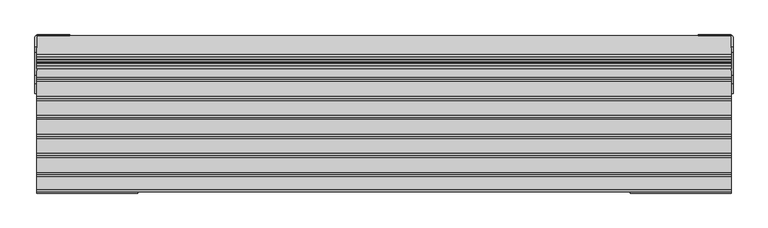
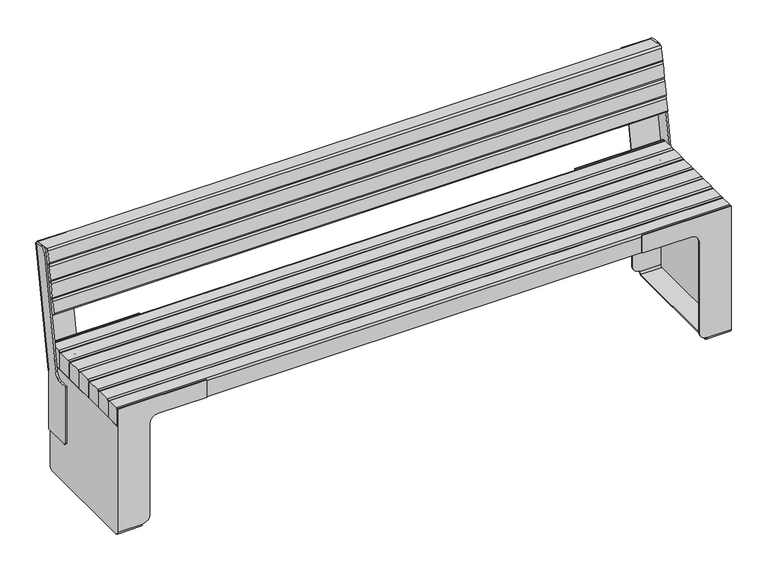
"""IFC4 building model written with IfcOpenShell, lengths in millimetres: furniture geometry."""

from ifc_helpers import new_model, si_unit, point, frame, frame_2d, origin, place, context, project, spatial, polyline, circle_curve, trimmed, segment, composite_curve, outline, extrude, source, transform, mapped, element, save
from ifc_brep_helpers import plane_surface, cylinder_surface, revolved_surface, advanced_brep


def furniture_69ef98cd(model_context):
    return source(origin(), model_context, "Body", "SolidModel", [
        advanced_brep(
        [(-1000.0000075, 101.4999907, 140.0000029), (-1000.0000075, 96.4999907, 145.0000029), (-1006.0002228, 96.4999907, 145.0000029), (-1006.0002228, 101.4999907, 140.0000029), (-1000.0000075, 188.5000074, 140.0000029), (-1006.0002228, 188.5000074, 140.0000029), (-1000.0000075, 188.5000074, 340.6999889), (-1006.0002228, 188.5000074, 340.6999889), (-1000.0000075, 96.4999907, 339.4750637), (-1006.0002228, 96.4999907, 339.4750637), (-1000.0000075, 124.6585977, 339.4750637), (-1006.0002228, 124.6585977, 339.4750637), (-1000.0000075, 149.2770573, 360.1240357), (-1006.0002228, 149.2770573, 360.1240357), (-1000.0000075, 263.560543, 737.5956028), (-906.000222, 263.560543, 737.5956028), (-906.000222, 266.5149655, 737.0746583), (-998.0002228, 266.5149655, 737.0746583), (-1006.0002228, 258.6365035, 738.4638441), (-1006.0002228, 232.1946644, 743.1262551), (-1000.0000075, 232.1946644, 743.1262551), (-998.0002228, 196.3784284, 339.3107044), (-906.000222, 196.3784284, 339.3107044), (-906.000222, 193.4240059, 339.8316489), (-1000.0000075, 193.4240059, 339.8316489), (-1000.0000075, 214.8188652, 730.9647557), (-1006.0002228, 214.8188652, 730.9647557)],
        [
            (0, 1, circle_curve(frame((-1000.0000075, 101.4999907, 145.0000029), z_axis=(-1.0, 0.0, 0.0), x_axis=(0.0, -1.0, 0.0)), 5.0)),
            (1, 2),
            (2, 3, circle_curve(frame((-1006.0002228, 101.4999907, 145.0000029), z_axis=(1.0, 0.0, 0.0), x_axis=(0.0, -1.0, 0.0)), 5.0)),
            (3, 0),
            (4, 0),
            (3, 5),
            (5, 4),
            (6, 4),
            (5, 7),
            (7, 6),
            (1, 8),
            (8, 9),
            (9, 2),
            (10, 11),
            (11, 9),
            (8, 10),
            (12, 13),
            (13, 11, circle_curve(frame((-1006.0002228, 124.6585977, 364.4750637), z_axis=(-1.0, 0.0, 0.0), x_axis=(0.0, -1.0, 0.0)), 25.0)),
            (10, 12, circle_curve(frame((-1000.0000075, 124.6585977, 364.4750637), z_axis=(1.0, 0.0, 0.0), x_axis=(0.0, -1.0, 0.0)), 25.0)),
            (14, 15),
            (15, 16),
            (16, 17),
            (17, 18, circle_curve(frame((-998.0002228, 258.6365035, 738.4638441), z_axis=(0.0, 0.1736482258268386, 0.9848077445203157), x_axis=(0.0, -0.9848077445203157, 0.1736482258268386)), 8.0)),
            (18, 19),
            (19, 20),
            (20, 14),
            (7, 21, circle_curve(frame((-998.0002228, 188.4999664, 340.6998902), z_axis=(0.0, -0.1736482258268386, -0.9848077445203157), x_axis=(0.0, -0.9848077445203157, 0.1736482258268386)), 8.0)),
            (21, 22),
            (22, 23),
            (23, 24),
            (24, 6),
            (24, 14),
            (20, 25, circle_curve(frame((-1000.0000075, 229.589941, 728.3541389), z_axis=(1.0, 0.0, 0.0), x_axis=(0.0, -1.0, 0.0)), 15.0)),
            (25, 12),
            (23, 15),
            (22, 16),
            (21, 17),
            (7, 18),
            (13, 26),
            (26, 19, circle_curve(frame((-1006.0002228, 229.589941, 728.3541389), z_axis=(-1.0, 0.0, 0.0), x_axis=(0.0, -1.0, 0.0)), 15.0)),
            (25, 26),
        ],
        [
            cylinder_surface(frame((-1006.0002228, 101.4999907, 145.0000029), z_axis=(1.0, 0.0, 0.0), x_axis=(0.0, -1.0, 0.0)), 5.0),
            plane_surface(frame((-1000.0000075, 101.4999907, 140.0000029), z_axis=(0.0, 0.0, -1.0), x_axis=(-1.0, 0.0, 0.0))),
            plane_surface(frame((-1000.0000075, 188.5000074, 140.0000029), z_axis=(0.0, 1.0, 0.0), x_axis=(-1.0, 0.0, 0.0))),
            plane_surface(frame((-1000.0000075, 96.4999907, 407.4449881), z_axis=(0.0, -1.0, 0.0), x_axis=(-1.0, 0.0, 0.0))),
            plane_surface(frame((-971.8980186, 84.6585977, 339.4750637), z_axis=(0.0, 0.0, 1.0), x_axis=(-1.0, 0.0, 0.0))),
            revolved_surface(polyline([(-1000.0000075, 99.6585977, 364.4750637), (-1006.0002228, 99.6585977, 364.4750637)]), (-1053.6124158, 124.6585977, 364.4750637), (1.0, 0.0, 0.0)),
            plane_surface(frame((-1000.0000075, 263.560543, 737.5956028), z_axis=(0.0, 0.1736482258268386, 0.9848077445203157), x_axis=(0.0, 0.9848077445203157, -0.1736482258268386))),
            plane_surface(frame((-1000.0000075, 193.4240059, 339.8316489), z_axis=(0.0, -0.1736482258268386, -0.9848077445203157), x_axis=(0.0, -0.9848077445203157, 0.1736482258268386))),
            plane_surface(frame((-1000.0000075, 170.4751739, 754.0090696), z_axis=(1.0000000000000002, 0.0, 0.0), x_axis=(0.0, -0.17364822582683856, -0.9848077445203157))),
            plane_surface(frame((-1000.0000075, 263.560543, 737.5956028), z_axis=(0.0, -0.9848077445203157, 0.1736482258268386), x_axis=(0.0, -0.1736482258268386, -0.9848077445203157))),
            plane_surface(frame((-906.000222, 263.560543, 737.5956028), z_axis=(1.0000000000000002, 0.0, 0.0), x_axis=(0.0, -0.1736482258268386, -0.9848077445203157))),
            plane_surface(frame((-906.000222, 266.5149655, 737.0746583), z_axis=(0.0, 0.9848077445203157, -0.17364822582683853), x_axis=(0.0, -0.17364822582683853, -0.9848077445203157))),
            cylinder_surface(frame((-998.0002228, 188.4999664, 340.6998902), z_axis=(0.0, 0.1736482258268386, 0.9848077445203157), x_axis=(0.0, -0.9848077445203157, 0.1736482258268386)), 8.0),
            plane_surface(frame((-1006.0002228, 258.6365035, 738.4638441), z_axis=(-1.0000000000000002, 0.0, 0.0), x_axis=(0.0, -0.1736482258268386, -0.9848077445203157))),
            plane_surface(frame((-954.3666656, 213.8993, 725.7617833), z_axis=(0.0, -0.9847383859030567, 0.17404111965004837), x_axis=(-1.0, 0.0, 0.0))),
            cylinder_surface(frame((-1047.2448882, 229.589941, 728.3541389), z_axis=(-1.0, 0.0, 0.0), x_axis=(0.0, -1.0, 0.0)), 15.0),
        ],
        [
            (0, [[1, 2, 3, 4]]),
            (1, [[5, -4, 6, 7]]),
            (2, [[8, -7, 9, 10]]),
            (3, [[-2, 11, 12, 13]]),
            (4, [[14, 15, -12, 16]]),
            (5, [[17, 18, -14, 19]]),
            (6, [[20, 21, 22, 23, 24, 25, 26]]),
            (7, [[27, 28, 29, 30, 31, -10]]),
            (8, [[32, -26, 33, 34, -19, -16, -11, -1, -5, -8, -31]]),
            (9, [[-20, -32, -30, 35]]),
            (10, [[-21, -35, -29, 36]]),
            (11, [[-22, -36, -28, 37]]),
            (12, [[-23, -37, -27, 38]]),
            (13, [[-38, -9, -6, -3, -13, -15, -18, 39, 40, -24]]),
            (14, [[41, -39, -17, -34]]),
            (15, [[-41, -33, -25, -40]]),
        ],
    ),
        advanced_brep(
        [(1000.0000075, 96.4999907, 145.0000029), (1000.0000075, 101.4999907, 140.0000029), (1006.0002228, 101.4999907, 140.0000029), (1006.0002228, 96.4999907, 145.0000029), (1000.0000075, 188.5000074, 140.0000029), (1006.0002228, 188.5000074, 140.0000029), (1000.0000075, 188.5000074, 340.6999889), (1006.0002228, 188.5000074, 340.699883), (1006.0002228, 96.4999907, 339.4750637), (1000.0000075, 96.4999907, 339.4750637), (1006.0002228, 124.6585977, 339.4750637), (1000.0000075, 124.6585977, 339.4750637), (1006.0002228, 149.2770573, 360.1240357), (1000.0000075, 149.2770573, 360.1240357), (1006.0002228, 258.6365035, 738.4638441), (998.0002228, 266.5149655, 737.0746583), (906.000222, 266.5149655, 737.0746583), (906.000222, 263.560543, 737.5956028), (1000.0000075, 263.560543, 737.5956028), (1000.0000075, 232.1946644, 743.1262551), (1006.0002228, 232.1946644, 743.1262551), (1000.0000075, 193.4240059, 339.8316489), (906.000222, 193.4240059, 339.8316489), (906.000222, 196.3784284, 339.3107044), (998.0002228, 196.3784284, 339.3107044), (1000.0000075, 214.8188652, 730.9647557), (1006.0002228, 214.8188652, 730.9647557)],
        [
            (0, 1, circle_curve(frame((1000.0000075, 101.4999907, 145.0000029), z_axis=(1.0, 0.0, 0.0), x_axis=(0.0, -1.0, 0.0)), 5.0)),
            (1, 2),
            (2, 3, circle_curve(frame((1006.0002228, 101.4999907, 145.0000029), z_axis=(-1.0, 0.0, 0.0), x_axis=(0.0, -1.0, 0.0)), 5.0)),
            (3, 0),
            (1, 4),
            (4, 5),
            (5, 2),
            (4, 6),
            (6, 7),
            (7, 5),
            (3, 8),
            (8, 9),
            (9, 0),
            (10, 11),
            (11, 9),
            (8, 10),
            (10, 12, circle_curve(frame((1006.0002228, 124.6585977, 364.4750637), z_axis=(1.0, 0.0, 0.0), x_axis=(0.0, -1.0, 0.0)), 25.0)),
            (12, 13),
            (13, 11, circle_curve(frame((1000.0000075, 124.6585977, 364.4750637), z_axis=(-1.0, 0.0, 0.0), x_axis=(0.0, -1.0, 0.0)), 25.0)),
            (14, 15, circle_curve(frame((998.0002228, 258.6365035, 738.4638441), z_axis=(0.0, 0.1736482258268386, 0.9848077445203157), x_axis=(0.0, -0.9848077445203157, 0.1736482258268386)), 8.0)),
            (15, 16),
            (16, 17),
            (17, 18),
            (18, 19),
            (19, 20),
            (20, 14),
            (21, 22),
            (22, 23),
            (23, 24),
            (24, 7, circle_curve(frame((998.0002228, 188.4999664, 340.6998902), z_axis=(0.0, -0.1736482258268386, -0.9848077445203157), x_axis=(0.0, -0.9848077445203157, 0.1736482258268386)), 8.0)),
            (6, 21),
            (18, 21),
            (13, 25),
            (25, 19, circle_curve(frame((1000.0000075, 229.589941, 728.3541389), z_axis=(-1.0, 0.0, 0.0), x_axis=(0.0, -1.0, 0.0)), 15.0)),
            (17, 22),
            (16, 23),
            (15, 24),
            (14, 7),
            (20, 26, circle_curve(frame((1006.0002228, 229.589941, 728.3541389), z_axis=(1.0, 0.0, 0.0), x_axis=(0.0, -1.0, 0.0)), 15.0)),
            (26, 12),
            (26, 25),
        ],
        [
            cylinder_surface(frame((1006.0002228, 101.4999907, 145.0000029), z_axis=(-1.0, 0.0, 0.0), x_axis=(0.0, -1.0, 0.0)), 5.0),
            plane_surface(frame((1000.0000075, 188.5000074, 140.0000029), z_axis=(0.0, 0.0, -1.0), x_axis=(1.0, 0.0, 0.0))),
            plane_surface(frame((1000.0000075, 188.5000074, 340.6999889), z_axis=(0.0, 1.0, 0.0), x_axis=(1.0, 0.0, 0.0))),
            plane_surface(frame((1000.0000075, 96.4999907, 145.0000029), z_axis=(0.0, -1.0, 0.0), x_axis=(1.0, 0.0, 0.0))),
            plane_surface(frame((971.8980186, 124.6585977, 339.4750637), z_axis=(0.0, 0.0, 1.0), x_axis=(1.0, 0.0, 0.0))),
            revolved_surface(polyline([(1000.0000075, 99.6585977, 364.4750637), (1006.0002228, 99.6585977, 364.4750637)]), (1053.6124158, 124.6585977, 364.4750637), (-1.0, 0.0, 0.0)),
            plane_surface(frame((1006.0002228, 170.4751739, 754.0090696), z_axis=(0.0, 0.1736482258268386, 0.9848077445203157), x_axis=(1.0, 0.0, 0.0))),
            plane_surface(frame((1006.0002228, 100.3386368, 356.2451157), z_axis=(0.0, -0.1736482258268386, -0.9848077445203157), x_axis=(-1.0, 0.0, 0.0))),
            plane_surface(frame((1000.0000075, 263.560543, 737.5956028), z_axis=(-1.0000000000000002, 0.0, 0.0), x_axis=(0.0, -0.1736482258268386, -0.9848077445203157))),
            plane_surface(frame((906.000222, 263.560543, 737.5956028), z_axis=(0.0, -0.9848077445203157, 0.1736482258268386), x_axis=(0.0, -0.1736482258268386, -0.9848077445203157))),
            plane_surface(frame((906.000222, 266.5149655, 737.0746583), z_axis=(-1.0000000000000002, 0.0, 0.0), x_axis=(0.0, -0.17364822582683856, -0.9848077445203157))),
            plane_surface(frame((998.0002228, 266.5149655, 737.0746583), z_axis=(0.0, 0.9848077445203157, -0.17364822582683856), x_axis=(0.0, -0.17364822582683856, -0.9848077445203157))),
            cylinder_surface(frame((998.0002228, 188.4999664, 340.6998902), z_axis=(0.0, 0.1736482258268386, 0.9848077445203157), x_axis=(0.0, -0.9848077445203157, 0.1736482258268386)), 8.0),
            plane_surface(frame((1006.0002228, 170.4751739, 754.0090696), z_axis=(1.0000000000000002, 0.0, 0.0), x_axis=(0.0, -0.17364822582683856, -0.9848077445203157))),
            plane_surface(frame((954.3666656, 214.8188652, 730.9647557), z_axis=(0.0, -0.9847383859030567, 0.17404111965004837), x_axis=(1.0, 0.0, 0.0))),
            cylinder_surface(frame((1032.9051927, 229.589941, 728.3541389), z_axis=(1.0, 0.0, 0.0), x_axis=(0.0, -1.0, 0.0)), 15.0),
        ],
        [
            (0, [[1, 2, 3, 4]]),
            (1, [[5, 6, 7, -2]]),
            (2, [[8, 9, 10, -6]]),
            (3, [[-4, 11, 12, 13]]),
            (4, [[14, 15, -12, 16]]),
            (5, [[-14, 17, 18, 19]]),
            (6, [[20, 21, 22, 23, 24, 25, 26]]),
            (7, [[27, 28, 29, 30, -9, 31]]),
            (8, [[32, -31, -8, -5, -1, -13, -15, -19, 33, 34, -24]]),
            (9, [[-23, 35, -27, -32]]),
            (10, [[-22, 36, -28, -35]]),
            (11, [[-21, 37, -29, -36]]),
            (12, [[-20, 38, -30, -37]]),
            (13, [[-38, -26, 39, 40, -17, -16, -11, -3, -7, -10]]),
            (14, [[41, -33, -18, -40]]),
            (15, [[-41, -39, -25, -34]]),
        ],
    ),
        extrude(outline(composite_curve([segment(polyline([(235.7768278, 580.026369), (182.5972245, 589.4033706)]), True, "CONTINUOUS"), segment(trimmed(circle_curve(frame_2d((183.6391139, 595.312217)), 6.0), [point((182.5972245, 589.4033706))], [point((177.7302672, 596.354105))], False, "CARTESIAN"), True, "CONTINUOUS"), segment(polyline([(177.7302672, 596.354105), (185.197131, 638.7008403)]), True, "CONTINUOUS"), segment(trimmed(circle_curve(frame_2d((191.1059777, 637.6589523)), 6.0), [point((185.197131, 638.7008403))], [point((192.1478671, 643.5677988))], False, "CARTESIAN"), True, "CONTINUOUS"), segment(polyline([(192.1478671, 643.5677988), (245.3274803, 634.1907954), (235.7768278, 580.026369)]), True, "CONTINUOUS")], self_intersect=False)), frame((-1000.0000075, 0.0, 0.0), z_axis=(1.0, 0.0, 0.0), x_axis=(0.0, 1.0, 0.0)), (0.0, 0.0, 1.0), 2000.0000153),
        extrude(outline(composite_curve([segment(polyline([(254.8781328, 688.3552219), (201.6985295, 697.7322234)]), True, "CONTINUOUS"), segment(trimmed(circle_curve(frame_2d((202.7404189, 703.6410699)), 6.0), [point((201.6985295, 697.7322234))], [point((196.8315722, 704.6829579))], False, "CARTESIAN"), True, "CONTINUOUS"), segment(polyline([(196.8315722, 704.6829579), (203.4301949, 742.1056474)]), True, "CONTINUOUS"), segment(trimmed(circle_curve(frame_2d((209.3390416, 741.0637595)), 6.0), [point((203.4301949, 742.1056474))], [point((210.3809309, 746.9726059))], False, "CARTESIAN"), True, "CONTINUOUS"), segment(polyline([(210.3809309, 746.9726059), (263.560543, 737.5956028), (254.8781328, 688.3552219)]), True, "CONTINUOUS")], self_intersect=False)), frame((-1000.0000075, 0.0, 0.0), z_axis=(1.0, 0.0, 0.0), x_axis=(0.0, 1.0, 0.0)), (0.0, 0.0, 1.0), 2000.0000153),
        extrude(outline(composite_curve([segment(polyline([(227.0944176, 530.785988), (173.9148132, 540.1629898)]), True, "CONTINUOUS"), segment(trimmed(circle_curve(frame_2d((174.9567025, 546.0718363)), 6.0), [point((173.9148132, 540.1629898))], [point((169.0478558, 547.1137242))], False, "CARTESIAN"), True, "CONTINUOUS"), segment(polyline([(169.0478558, 547.1137242), (175.6464785, 584.5364138)]), True, "CONTINUOUS"), segment(trimmed(circle_curve(frame_2d((181.5553252, 583.4945259)), 6.0), [point((175.6464785, 584.5364138))], [point((182.5972146, 589.4033723))], False, "CARTESIAN"), True, "CONTINUOUS"), segment(polyline([(182.5972146, 589.4033723), (235.7768278, 580.026369), (227.0944176, 530.785988)]), True, "CONTINUOUS")], self_intersect=False)), frame((-1000.0000075, 0.0, 0.0), z_axis=(1.0, 0.0, 0.0), x_axis=(0.0, 1.0, 0.0)), (0.0, 0.0, 1.0), 2000.0000153),
        extrude(outline(composite_curve([segment(polyline([(245.3274803, 634.1907954), (192.1478308, 643.5678051)]), True, "CONTINUOUS"), segment(trimmed(circle_curve(frame_2d((193.1897202, 649.4766516)), 6.0), [point((192.1478308, 643.5678051))], [point((187.2808747, 650.5185467))], False, "CARTESIAN"), True, "CONTINUOUS"), segment(polyline([(187.2808747, 650.5185467), (194.7477895, 692.8652729)]), True, "CONTINUOUS"), segment(trimmed(circle_curve(frame_2d((200.656635, 691.8233779)), 6.0), [point((194.7477895, 692.8652729))], [point((201.6985243, 697.7322243))], False, "CARTESIAN"), True, "CONTINUOUS"), segment(polyline([(201.6985243, 697.7322243), (254.8781328, 688.3552219), (245.3274803, 634.1907954)]), True, "CONTINUOUS")], self_intersect=False)), frame((-1000.0000075, 0.0, 0.0), z_axis=(1.0, 0.0, 0.0), x_axis=(0.0, 1.0, 0.0)), (0.0, 0.0, 1.0), 2000.0000153),
        advanced_brep(
        [(920.0000032, 190.4999943, 10.0), (920.0000032, 180.4999943, 0.0), (920.0000032, -180.5000057, 0.0), (920.0000032, -190.5000057, 10.0), (920.0000032, -190.5000057, 11.2), (920.0000032, -187.5000057, 11.2), (920.0000032, -187.5000057, 9.6519473), (920.0000032, -180.5000057, 2.6519473), (920.0000032, 180.4999958, 2.6519473), (920.0000032, 187.4999958, 9.6519473), (920.0000032, 187.4999958, 11.2), (920.0000032, 190.4999943, 11.2), (920.0000032, 180.4999958, 372.0000043), (920.0000032, -180.5000057, 372.0000043), (920.0000032, -187.5000057, 365.0000043), (920.0000032, -187.4999958, 375.0000029), (920.0000032, 187.4999958, 375.0000029), (920.0000032, 187.4999958, 365.0000043), (1000.0000075, 190.5000057, 435.0000106), (1000.0000075, 187.4999958, 435.0000106), (1000.0000075, 187.4999958, 375.0000029), (1000.0000075, -187.4999958, 375.0000029), (1000.0000075, -187.4999958, 435.0000106), (1000.0000075, -190.5000057, 435.0000106), (1000.0000075, -190.5000057, 10.0), (1000.0000075, -180.5000057, 0.0), (1000.0000075, 180.4999943, 0.0), (1000.0000075, 190.4999943, 10.0), (895.000003, 190.4999943, 36.2000001), (895.000003, 190.4999943, 350.0000029), (870.000003, 190.4999943, 375.0000029), (710.0000125, 190.4999943, 375.0000029), (710.0000125, 190.4999943, 435.0000106), (710.0000125, -190.5000057, 435.0000106), (710.0000125, -190.5000057, 375.0000029), (870.000003, -190.5000057, 375.0000029), (895.000003, -190.5000057, 350.0000029), (895.000003, -190.5000057, 36.2000001), (895.000003, -187.4999958, 36.2000001), (895.000003, -187.4999958, 350.0000029), (870.000003, -187.4999958, 375.0000029), (710.0000125, -187.4999958, 375.0000029), (710.0000125, -187.4999958, 435.0000106), (895.000003, 187.4999958, 36.2000001), (895.000003, 187.4999958, 350.0000029), (870.000003, 187.4999958, 375.0000029), (710.0000125, 187.4999958, 375.0000029), (710.0000125, 187.4999958, 435.0000106), (989.0000078, 187.4999958, 365.0000043), (989.0000078, 187.4999958, 9.6519473), (989.0000078, 180.4999958, 2.6519473), (989.0000078, -180.5000057, 2.6519473), (989.0000078, -187.5000057, 9.6519473), (989.0000078, -187.5000057, 365.0000043), (989.0000078, -180.5000057, 372.0000043), (989.0000078, 180.4999958, 372.0000043)],
        [
            (0, 1, circle_curve(frame((920.0000032, 180.4999943, 10.0), z_axis=(-1.0, 0.0, 0.0), x_axis=(0.0, -1.0, 0.0)), 10.0)),
            (1, 2),
            (2, 3, circle_curve(frame((920.0000032, -180.5000057, 10.0), z_axis=(-1.0, 0.0, 0.0), x_axis=(0.0, -1.0, 0.0)), 10.0)),
            (3, 4),
            (4, 5),
            (5, 6),
            (6, 7, circle_curve(frame((920.0000032, -180.5000057, 9.6519473), z_axis=(1.0, 0.0, 0.0), x_axis=(0.0, -1.0, 0.0)), 7.0)),
            (7, 8),
            (8, 9, circle_curve(frame((920.0000032, 180.4999958, 9.6519473), z_axis=(1.0, 0.0, 0.0), x_axis=(0.0, -1.0, 0.0)), 7.0)),
            (9, 10),
            (10, 11),
            (11, 0),
            (12, 13),
            (13, 14, circle_curve(frame((920.0000032, -180.5000057, 365.0000043), z_axis=(1.0, 0.0, 0.0), x_axis=(0.0, -1.0, 0.0)), 7.0)),
            (14, 15),
            (15, 16),
            (16, 17),
            (17, 12, circle_curve(frame((920.0000032, 180.4999958, 365.0000043), z_axis=(1.0, 0.0, 0.0), x_axis=(0.0, -1.0, 0.0)), 7.0)),
            (18, 19),
            (19, 20),
            (20, 21),
            (21, 22),
            (22, 23),
            (23, 24),
            (24, 25, circle_curve(frame((1000.0000075, -180.5000057, 10.0), z_axis=(1.0, 0.0, 0.0), x_axis=(0.0, -1.0, 0.0)), 10.0)),
            (25, 26),
            (26, 27, circle_curve(frame((1000.0000075, 180.4999943, 10.0), z_axis=(1.0, 0.0, 0.0), x_axis=(0.0, -1.0, 0.0)), 10.0)),
            (27, 18),
            (27, 0),
            (11, 28, circle_curve(frame((920.0000032, 190.4999943, 36.2000001), z_axis=(0.0, 1.0, 0.0), x_axis=(-1.0, 0.0, 0.0)), 25.0000002)),
            (28, 29),
            (29, 30, circle_curve(frame((870.000003, 190.4999943, 350.0000029), z_axis=(0.0, -1.0, 0.0), x_axis=(-1.0, 0.0, 0.0)), 25.0)),
            (30, 31),
            (31, 32),
            (32, 18),
            (15, 21),
            (20, 16),
            (3, 24),
            (23, 33),
            (33, 34),
            (34, 35),
            (35, 36, circle_curve(frame((870.000003, -190.5000057, 350.0000029), z_axis=(0.0, 1.0, 0.0), x_axis=(-1.0, 0.0, 0.0)), 25.0)),
            (36, 37),
            (37, 4, circle_curve(frame((920.0000032, -190.5000057, 36.2000001), z_axis=(0.0, -1.0, 0.0), x_axis=(-1.0, 0.0, 0.0)), 25.0000002)),
            (2, 25),
            (1, 26),
            (37, 38),
            (38, 5, circle_curve(frame((920.0000032, -187.4999958, 36.2000001), z_axis=(0.0, -1.0, 0.0), x_axis=(-1.0, 0.0, 0.0)), 25.0000002)),
            (36, 39),
            (39, 38),
            (35, 40),
            (40, 39, circle_curve(frame((870.000003, -187.4999958, 350.0000029), z_axis=(0.0, 1.0, 0.0), x_axis=(-1.0, 0.0, 0.0)), 25.0)),
            (34, 41),
            (41, 40),
            (33, 42),
            (42, 41),
            (22, 42),
            (10, 43, circle_curve(frame((920.0000032, 187.4999958, 36.2000001), z_axis=(0.0, 1.0, 0.0), x_axis=(-1.0, 0.0, 0.0)), 25.0000002)),
            (43, 28),
            (43, 44),
            (44, 29),
            (44, 45, circle_curve(frame((870.000003, 187.4999958, 350.0000029), z_axis=(0.0, -1.0, 0.0), x_axis=(-1.0, 0.0, 0.0)), 25.0)),
            (45, 30),
            (45, 46),
            (46, 31),
            (46, 47),
            (47, 32),
            (47, 19),
            (48, 49),
            (49, 50, circle_curve(frame((989.0000078, 180.4999958, 9.6519473), z_axis=(-1.0, 0.0, 0.0), x_axis=(0.0, -1.0, 0.0)), 7.0)),
            (50, 51),
            (51, 52, circle_curve(frame((989.0000078, -180.5000057, 9.6519473), z_axis=(-1.0, 0.0, 0.0), x_axis=(0.0, -1.0, 0.0)), 7.0)),
            (52, 53),
            (53, 54, circle_curve(frame((989.0000078, -180.5000057, 365.0000043), z_axis=(-1.0, 0.0, 0.0), x_axis=(0.0, -1.0, 0.0)), 7.0)),
            (54, 55),
            (55, 48, circle_curve(frame((989.0000078, 180.4999958, 365.0000043), z_axis=(-1.0, 0.0, 0.0), x_axis=(0.0, -1.0, 0.0)), 7.0)),
            (54, 13),
            (12, 55),
            (52, 6),
            (14, 53),
            (50, 8),
            (7, 51),
            (48, 17),
            (9, 49),
        ],
        [
            plane_surface(frame((920.0000032, 170.4999943, 10.0), z_axis=(-1.0, 0.0, 0.0), x_axis=(0.0, 0.0, 1.0))),
            plane_surface(frame((1000.0000075, 170.4999943, 10.0), z_axis=(1.0, 0.0, 0.0), x_axis=(0.0, 0.0, -1.0))),
            plane_surface(frame((920.0000032, 190.4999943, 375.0000029), z_axis=(0.0, 1.0, 0.0), x_axis=(1.0, 0.0, 0.0))),
            plane_surface(frame((920.0000032, -190.5000057, 375.0000029), z_axis=(0.0, 0.0, 1.0), x_axis=(1.0, 0.0, 0.0))),
            plane_surface(frame((920.0000032, -190.5000057, 10.0), z_axis=(0.0, -1.0, 0.0), x_axis=(1.0, 0.0, 0.0))),
            cylinder_surface(frame((1000.0000075, -180.5000057, 10.0), z_axis=(-1.0, 0.0, 0.0), x_axis=(0.0, -1.0, 0.0)), 10.0),
            plane_surface(frame((920.0000032, 180.4999943, 0.0), z_axis=(0.0, 0.0, -1.0), x_axis=(1.0, 0.0, 0.0))),
            cylinder_surface(frame((1000.0000075, 180.4999943, 10.0), z_axis=(-1.0, 0.0, 0.0), x_axis=(0.0, -1.0, 0.0)), 10.0),
            cylinder_surface(frame((920.0000032, -187.4999958, 36.2000001), z_axis=(0.0, -1.0, 0.0), x_axis=(-1.0, 0.0, 0.0)), 25.0000002),
            plane_surface(frame((895.000003, -190.5000057, 350.0000029), z_axis=(-1.0, 0.0, 0.0), x_axis=(0.0, 1.0, 0.0))),
            revolved_surface(polyline([(845.000003, -187.4999958, 350.0000029), (845.000003, -190.5000057, 350.0000029)]), (870.000003, -187.4999958, 350.0000029), (0.0, 1.0, 0.0)),
            plane_surface(frame((710.0000125, -190.5000057, 375.0000029), z_axis=(0.0, 0.0, -1.0), x_axis=(0.0, 1.0, 0.0))),
            plane_surface(frame((710.0000125, -190.5000057, 435.0000106), z_axis=(-1.0, 0.0, 0.0), x_axis=(0.0, 1.0, 0.0))),
            plane_surface(frame((1000.0000075, -190.5000057, 435.0000106), z_axis=(0.0, 0.0, 1.0), x_axis=(0.0, 1.0, 0.0))),
            cylinder_surface(frame((920.0000032, 187.4999958, 36.2000001), z_axis=(0.0, 1.0, 0.0), x_axis=(-1.0, 0.0, 0.0)), 25.0000002),
            plane_surface(frame((895.000003, 190.5000057, 36.2000001), z_axis=(-1.0, 0.0, 0.0), x_axis=(0.0, -1.0, 0.0))),
            revolved_surface(polyline([(845.000003, 187.4999958, 350.0000029), (845.000003, 190.4999943, 350.0000029)]), (870.000003, 187.4999958, 350.0000029), (0.0, -1.0, 0.0)),
            plane_surface(frame((870.000003, 190.5000057, 375.0000029), z_axis=(0.0, 0.0, -1.0), x_axis=(0.0, -1.0, 0.0))),
            plane_surface(frame((710.0000125, 190.5000057, 375.0000029), z_axis=(-1.0, 0.0, 0.0), x_axis=(0.0, -1.0, 0.0))),
            plane_surface(frame((710.0000125, 190.5000057, 435.0000106), z_axis=(0.0, 0.0, 1.0), x_axis=(0.0, -1.0, 0.0))),
            plane_surface(frame((989.0000078, 187.4999958, 11.3137092), z_axis=(-1.0, 0.0, 0.0), x_axis=(0.0, 0.0, 1.0))),
            plane_surface(frame((870.0000119, -180.5000057, 372.0000043), z_axis=(0.0, 0.0, -1.0), x_axis=(1.0, 0.0, 0.0))),
            plane_surface(frame((870.0000119, -187.5000057, 9.6519473), z_axis=(0.0, 1.0, 0.0), x_axis=(1.0, 0.0, 0.0))),
            plane_surface(frame((870.0000119, 180.4999958, 2.6519473), z_axis=(0.0, 0.0, 1.0), x_axis=(1.0, 0.0, 0.0))),
            plane_surface(frame((870.0000119, 187.4999958, 365.0000043), z_axis=(0.0, -1.0, 0.0), x_axis=(1.0, 0.0, 0.0))),
            revolved_surface(polyline([(920.0000032, 173.4999958, 365.0000043), (989.0000078, 173.4999958, 365.0000043)]), (989.0000078, 180.4999958, 365.0000043), (-1.0, 0.0, 0.0)),
            revolved_surface(polyline([(920.0000032, -187.5000057, 365.0000043), (989.0000078, -187.5000057, 365.0000043)]), (989.0000078, -180.5000057, 365.0000043), (-1.0, 0.0, 0.0)),
            revolved_surface(polyline([(920.0000032, -187.5000057, 9.6519473), (989.0000078, -187.5000057, 9.6519473)]), (989.0000078, -180.5000057, 9.6519473), (-1.0, 0.0, 0.0)),
            revolved_surface(polyline([(920.0000032, 173.4999958, 9.6519473), (989.0000078, 173.4999958, 9.6519473)]), (989.0000078, 180.4999958, 9.6519473), (-1.0, 0.0, 0.0)),
        ],
        [
            (0, [[1, 2, 3, 4, 5, 6, 7, 8, 9, 10, 11, 12]]),
            (0, [[13, 14, 15, 16, 17, 18]]),
            (1, [[19, 20, 21, 22, 23, 24, 25, 26, 27, 28]]),
            (2, [[-28, 29, -12, 30, 31, 32, 33, 34, 35]]),
            (3, [[36, -21, 37, -16]]),
            (4, [[38, -24, 39, 40, 41, 42, 43, 44, -4]]),
            (5, [[-3, 45, -25, -38]]),
            (6, [[-2, 46, -26, -45]]),
            (7, [[-1, -29, -27, -46]]),
            (8, [[-44, 47, 48, -5]]),
            (9, [[-43, 49, 50, -47]]),
            (10, [[-42, 51, 52, -49]]),
            (11, [[-41, 53, 54, -51]]),
            (12, [[-40, 55, 56, -53]]),
            (13, [[-39, -23, 57, -55]]),
            (14, [[-30, -11, 58, 59]]),
            (15, [[-31, -59, 60, 61]]),
            (16, [[-32, -61, 62, 63]]),
            (17, [[-33, -63, 64, 65]]),
            (18, [[-34, -65, 66, 67]]),
            (19, [[-35, -67, 68, -19]]),
            (20, [[69, 70, 71, 72, 73, 74, 75, 76]]),
            (21, [[-75, 77, -13, 78]]),
            (22, [[-73, 79, -6, -48, -50, -52, -54, -56, -57, -22, -36, -15, 80]]),
            (23, [[-71, 81, -8, 82]]),
            (24, [[-69, 83, -17, -37, -20, -68, -66, -64, -62, -60, -58, -10, 84]]),
            (25, [[-76, -78, -18, -83]]),
            (26, [[-74, -80, -14, -77]]),
            (27, [[-72, -82, -7, -79]]),
            (28, [[-70, -84, -9, -81]]),
        ],
    ),
        advanced_brep(
        [(-920.0000032, -190.5000057, 10.0), (-920.0000032, -180.5000057, 0.0), (-920.0000032, 180.4999943, 0.0), (-920.0000032, 190.4999943, 10.0), (-920.0000032, 190.4999943, 11.2), (-920.0000032, 187.4999958, 11.2), (-920.0000032, 187.4999958, 9.6519473), (-920.0000032, 180.4999958, 2.6519473), (-920.0000032, -180.5000057, 2.6519473), (-920.0000032, -187.5000057, 9.6519473), (-920.0000032, -187.5000057, 11.2), (-920.0000032, -190.5000057, 11.2), (-920.0000032, -180.5000057, 372.0000043), (-920.0000032, 180.4999958, 372.0000043), (-920.0000032, 187.4999958, 365.0000043), (-920.0000032, 187.4999958, 375.0000029), (-920.0000032, -187.4999958, 375.0000029), (-920.0000032, -187.4999958, 365.0000043), (-1000.0000075, 190.4999943, 10.0), (-1000.0000075, 180.4999943, 0.0), (-1000.0000075, -180.5000057, 0.0), (-1000.0000075, -190.5000057, 10.0), (-1000.0000075, -190.5000057, 435.0000106), (-1000.0000075, -187.4999958, 435.0000106), (-1000.0000075, -187.4999958, 375.0000029), (-1000.0000075, 187.4999958, 375.0000029), (-1000.0000075, 187.4999958, 435.0000106), (-1000.0000075, 190.5000057, 435.0000106), (-710.0000125, 190.4999943, 435.0000106), (-710.0000125, 190.4999943, 375.0000029), (-870.000003, 190.4999943, 375.0000029), (-895.000003, 190.4999943, 350.0000029), (-895.000003, 190.4999943, 36.2000001), (-895.000003, -190.5000057, 36.2000001), (-895.000003, -190.5000057, 350.0000029), (-870.000003, -190.5000057, 375.0000029), (-710.0000125, -190.5000057, 375.0000029), (-710.0000125, -190.5000057, 435.0000106), (-895.000003, -187.4999958, 36.2000001), (-895.000003, -187.4999958, 350.0000029), (-870.000003, -187.4999958, 375.0000029), (-710.0000125, -187.4999958, 375.0000029), (-710.0000125, -187.4999958, 435.0000106), (-895.000003, 187.4999958, 36.2000001), (-895.000003, 187.4999958, 350.0000029), (-870.000003, 187.4999958, 375.0000029), (-710.0000125, 187.4999958, 375.0000029), (-710.0000125, 187.4999958, 435.0000106), (-989.0000078, 187.4999958, 365.0000043), (-989.0000078, 180.4999958, 372.0000043), (-989.0000078, -180.5000057, 372.0000043), (-989.0000078, -187.5000057, 365.0000043), (-989.0000078, -187.5000057, 9.6519473), (-989.0000078, -180.5000057, 2.6519473), (-989.0000078, 180.4999958, 2.6519473), (-989.0000078, 187.4999958, 9.6519473)],
        [
            (0, 1, circle_curve(frame((-920.0000032, -180.5000057, 10.0), z_axis=(1.0, 0.0, 0.0), x_axis=(0.0, -1.0, 0.0)), 10.0)),
            (1, 2),
            (2, 3, circle_curve(frame((-920.0000032, 180.4999943, 10.0), z_axis=(1.0, 0.0, 0.0), x_axis=(0.0, -1.0, 0.0)), 10.0)),
            (3, 4),
            (4, 5),
            (5, 6),
            (6, 7, circle_curve(frame((-920.0000032, 180.4999958, 9.6519473), z_axis=(-1.0, 0.0, 0.0), x_axis=(0.0, -1.0, 0.0)), 7.0)),
            (7, 8),
            (8, 9, circle_curve(frame((-920.0000032, -180.5000057, 9.6519473), z_axis=(-1.0, 0.0, 0.0), x_axis=(0.0, -1.0, 0.0)), 7.0)),
            (9, 10),
            (10, 11),
            (11, 0),
            (12, 13),
            (13, 14, circle_curve(frame((-920.0000032, 180.4999958, 365.0000043), z_axis=(-1.0, 0.0, 0.0), x_axis=(0.0, -1.0, 0.0)), 7.0)),
            (14, 15),
            (15, 16),
            (16, 17),
            (17, 12, circle_curve(frame((-920.0000032, -180.5000057, 365.0000043), z_axis=(-1.0, 0.0, 0.0), x_axis=(0.0, -1.0, 0.0)), 7.0)),
            (18, 19, circle_curve(frame((-1000.0000075, 180.4999943, 10.0), z_axis=(-1.0, 0.0, 0.0), x_axis=(0.0, -1.0, 0.0)), 10.0)),
            (19, 20),
            (20, 21, circle_curve(frame((-1000.0000075, -180.5000057, 10.0), z_axis=(-1.0, 0.0, 0.0), x_axis=(0.0, -1.0, 0.0)), 10.0)),
            (21, 22),
            (22, 23),
            (23, 24),
            (24, 25),
            (25, 26),
            (26, 27),
            (27, 18),
            (27, 28),
            (28, 29),
            (29, 30),
            (30, 31, circle_curve(frame((-870.000003, 190.4999943, 350.0000029), z_axis=(0.0, -1.0, 0.0), x_axis=(1.0, 0.0, 0.0)), 25.0)),
            (31, 32),
            (32, 4, circle_curve(frame((-920.0000032, 190.4999943, 36.2000001), z_axis=(0.0, 1.0, 0.0), x_axis=(1.0, 0.0, 0.0)), 25.0000002)),
            (3, 18),
            (24, 16),
            (15, 25),
            (21, 0),
            (11, 33, circle_curve(frame((-920.0000032, -190.5000057, 36.2000001), z_axis=(0.0, -1.0, 0.0), x_axis=(1.0, 0.0, 0.0)), 25.0000002)),
            (33, 34),
            (34, 35, circle_curve(frame((-870.000003, -190.5000057, 350.0000029), z_axis=(0.0, 1.0, 0.0), x_axis=(1.0, 0.0, 0.0)), 25.0)),
            (35, 36),
            (36, 37),
            (37, 22),
            (20, 1),
            (19, 2),
            (10, 38, circle_curve(frame((-920.0000032, -187.4999958, 36.2000001), z_axis=(0.0, -1.0, 0.0), x_axis=(1.0, 0.0, 0.0)), 25.0000002)),
            (38, 33),
            (38, 39),
            (39, 34),
            (39, 40, circle_curve(frame((-870.000003, -187.4999958, 350.0000029), z_axis=(0.0, 1.0, 0.0), x_axis=(1.0, 0.0, 0.0)), 25.0)),
            (40, 35),
            (40, 41),
            (41, 36),
            (41, 42),
            (42, 37),
            (42, 23),
            (32, 43),
            (43, 5, circle_curve(frame((-920.0000032, 187.4999958, 36.2000001), z_axis=(0.0, 1.0, 0.0), x_axis=(1.0, 0.0, 0.0)), 25.0000002)),
            (31, 44),
            (44, 43),
            (30, 45),
            (45, 44, circle_curve(frame((-870.000003, 187.4999958, 350.0000029), z_axis=(0.0, -1.0, 0.0), x_axis=(1.0, 0.0, 0.0)), 25.0)),
            (29, 46),
            (46, 45),
            (28, 47),
            (47, 46),
            (26, 47),
            (48, 49, circle_curve(frame((-989.0000078, 180.4999958, 365.0000043), z_axis=(1.0, 0.0, 0.0), x_axis=(0.0, -1.0, 0.0)), 7.0)),
            (49, 50),
            (50, 51, circle_curve(frame((-989.0000078, -180.5000057, 365.0000043), z_axis=(1.0, 0.0, 0.0), x_axis=(0.0, -1.0, 0.0)), 7.0)),
            (51, 52),
            (52, 53, circle_curve(frame((-989.0000078, -180.5000057, 9.6519473), z_axis=(1.0, 0.0, 0.0), x_axis=(0.0, -1.0, 0.0)), 7.0)),
            (53, 54),
            (54, 55, circle_curve(frame((-989.0000078, 180.4999958, 9.6519473), z_axis=(1.0, 0.0, 0.0), x_axis=(0.0, -1.0, 0.0)), 7.0)),
            (55, 48),
            (49, 13),
            (12, 50),
            (51, 17),
            (9, 52),
            (53, 8),
            (7, 54),
            (55, 6),
            (14, 48),
        ],
        [
            plane_surface(frame((-920.0000032, 190.4999943, 375.0000029), z_axis=(1.0, 0.0, 0.0), x_axis=(0.0, 0.0, 1.0))),
            plane_surface(frame((-1000.0000075, 190.4999943, 375.0000029), z_axis=(-1.0, 0.0, 0.0), x_axis=(0.0, 0.0, -1.0))),
            plane_surface(frame((-920.0000032, 190.4999943, 10.0), z_axis=(0.0, 1.0, 0.0), x_axis=(-1.0, 0.0, 0.0))),
            plane_surface(frame((-920.0000032, 190.4999943, 375.0000029), z_axis=(0.0, 0.0, 1.0), x_axis=(-1.0, 0.0, 0.0))),
            plane_surface(frame((-920.0000032, -190.5000057, 375.0000029), z_axis=(0.0, -1.0, 0.0), x_axis=(-1.0, 0.0, 0.0))),
            cylinder_surface(frame((-1000.0000075, -180.5000057, 10.0), z_axis=(1.0, 0.0, 0.0), x_axis=(0.0, -1.0, 0.0)), 10.0),
            plane_surface(frame((-920.0000032, -180.5000057, 0.0), z_axis=(0.0, 0.0, -1.0), x_axis=(-1.0, 0.0, 0.0))),
            cylinder_surface(frame((-1000.0000075, 180.4999943, 10.0), z_axis=(1.0, 0.0, 0.0), x_axis=(0.0, -1.0, 0.0)), 10.0),
            cylinder_surface(frame((-920.0000032, -187.4999958, 36.2000001), z_axis=(0.0, -1.0, 0.0), x_axis=(1.0, 0.0, 0.0)), 25.0000002),
            plane_surface(frame((-895.000003, -190.5000057, 36.2000001), z_axis=(1.0, 0.0, 0.0), x_axis=(0.0, 1.0, 0.0))),
            revolved_surface(polyline([(-845.000003, -187.4999958, 350.0000029), (-845.000003, -190.5000057, 350.0000029)]), (-870.000003, -187.4999958, 350.0000029), (0.0, 1.0, 0.0)),
            plane_surface(frame((-870.000003, -190.5000057, 375.0000029), z_axis=(0.0, 0.0, -1.0), x_axis=(0.0, 1.0, 0.0))),
            plane_surface(frame((-710.0000125, -190.5000057, 375.0000029), z_axis=(1.0, 0.0, 0.0), x_axis=(0.0, 1.0, 0.0))),
            plane_surface(frame((-710.0000125, -190.5000057, 435.0000106), z_axis=(0.0, 0.0, 1.0), x_axis=(0.0, 1.0, 0.0))),
            cylinder_surface(frame((-920.0000032, 187.4999958, 36.2000001), z_axis=(0.0, 1.0, 0.0), x_axis=(1.0, 0.0, 0.0)), 25.0000002),
            plane_surface(frame((-895.000003, 190.5000057, 350.0000029), z_axis=(1.0, 0.0, 0.0), x_axis=(0.0, -1.0, 0.0))),
            revolved_surface(polyline([(-845.000003, 187.4999958, 350.0000029), (-845.000003, 190.4999943, 350.0000029)]), (-870.000003, 187.4999958, 350.0000029), (0.0, -1.0, 0.0)),
            plane_surface(frame((-710.0000125, 190.5000057, 375.0000029), z_axis=(0.0, 0.0, -1.0), x_axis=(0.0, -1.0, 0.0))),
            plane_surface(frame((-710.0000125, 190.5000057, 435.0000106), z_axis=(1.0, 0.0, 0.0), x_axis=(0.0, -1.0, 0.0))),
            plane_surface(frame((-1000.0000075, 190.5000057, 435.0000106), z_axis=(0.0, 0.0, 1.0), x_axis=(0.0, -1.0, 0.0))),
            plane_surface(frame((-989.0000078, 173.4999958, 365.0000043), z_axis=(1.0, 0.0, 0.0), x_axis=(0.0, 0.0, 1.0))),
            plane_surface(frame((-870.0000119, 180.4999958, 372.0000043), z_axis=(0.0, 0.0, -1.0), x_axis=(-1.0, 0.0, 0.0))),
            plane_surface(frame((-870.0000119, -187.5000057, 365.0000043), z_axis=(0.0, 1.0, 0.0), x_axis=(-1.0, 0.0, 0.0))),
            plane_surface(frame((-870.0000119, -180.5000057, 2.6519473), z_axis=(0.0, 0.0, 1.0), x_axis=(-1.0, 0.0, 0.0))),
            plane_surface(frame((-870.0000119, 187.4999958, 9.6519473), z_axis=(0.0, -1.0, 0.0), x_axis=(-1.0, 0.0, 0.0))),
            revolved_surface(polyline([(-920.0000032, 173.4999958, 365.0000043), (-989.0000078, 173.4999958, 365.0000043)]), (-989.0000078, 180.4999958, 365.0000043), (1.0, 0.0, 0.0)),
            revolved_surface(polyline([(-920.0000032, -187.5000057, 365.0000043), (-989.0000078, -187.5000057, 365.0000043)]), (-989.0000078, -180.5000057, 365.0000043), (1.0, 0.0, 0.0)),
            revolved_surface(polyline([(-920.0000032, -187.5000057, 9.6519473), (-989.0000078, -187.5000057, 9.6519473)]), (-989.0000078, -180.5000057, 9.6519473), (1.0, 0.0, 0.0)),
            revolved_surface(polyline([(-920.0000032, 173.4999958, 9.6519473), (-989.0000078, 173.4999958, 9.6519473)]), (-989.0000078, 180.4999958, 9.6519473), (1.0, 0.0, 0.0)),
        ],
        [
            (0, [[1, 2, 3, 4, 5, 6, 7, 8, 9, 10, 11, 12]]),
            (0, [[13, 14, 15, 16, 17, 18]]),
            (1, [[19, 20, 21, 22, 23, 24, 25, 26, 27, 28]]),
            (2, [[-28, 29, 30, 31, 32, 33, 34, -4, 35]]),
            (3, [[36, -16, 37, -25]]),
            (4, [[38, -12, 39, 40, 41, 42, 43, 44, -22]]),
            (5, [[-1, -38, -21, 45]]),
            (6, [[-2, -45, -20, 46]]),
            (7, [[-3, -46, -19, -35]]),
            (8, [[-39, -11, 47, 48]]),
            (9, [[-40, -48, 49, 50]]),
            (10, [[-41, -50, 51, 52]]),
            (11, [[-42, -52, 53, 54]]),
            (12, [[-43, -54, 55, 56]]),
            (13, [[-44, -56, 57, -23]]),
            (14, [[-34, 58, 59, -5]]),
            (15, [[-33, 60, 61, -58]]),
            (16, [[-32, 62, 63, -60]]),
            (17, [[-31, 64, 65, -62]]),
            (18, [[-30, 66, 67, -64]]),
            (19, [[-29, -27, 68, -66]]),
            (20, [[69, 70, 71, 72, 73, 74, 75, 76]]),
            (21, [[-70, 77, -13, 78]]),
            (22, [[-72, 79, -17, -36, -24, -57, -55, -53, -51, -49, -47, -10, 80]]),
            (23, [[-74, 81, -8, 82]]),
            (24, [[-76, 83, -6, -59, -61, -63, -65, -67, -68, -26, -37, -15, 84]]),
            (25, [[-69, -84, -14, -77]]),
            (26, [[-71, -78, -18, -79]]),
            (27, [[-73, -80, -9, -81]]),
            (28, [[-75, -82, -7, -83]]),
        ],
    ),
        extrude(outline(composite_curve([segment(trimmed(circle_curve(frame_2d((88.4999913, 429.0000106)), 6.0), [point((82.4999913, 429.0000106))], [point((88.4999913, 435.0000106))], False, "CARTESIAN"), True, "CONTINUOUS"), segment(polyline([(88.4999913, 435.0000106), (131.4849653, 435.0000106)]), True, "CONTINUOUS"), segment(trimmed(circle_curve(frame_2d((131.4849653, 428.9849806)), 6.01503), [point((131.4849653, 435.0000106))], [point((137.4999954, 428.9849806))], False, "CARTESIAN"), True, "CONTINUOUS"), segment(polyline([(137.4999954, 428.9849806), (137.4999954, 375.0000029), (82.4999913, 375.0000029), (82.4999913, 429.0000106)]), True, "CONTINUOUS")], self_intersect=False)), frame((-1000.0000075, 0.0, 0.0), z_axis=(1.0, 0.0, 0.0), x_axis=(0.0, 1.0, 0.0)), (0.0, 0.0, 1.0), 2000.0000153),
        extrude(outline(composite_curve([segment(trimmed(circle_curve(frame_2d((-21.4999963, 429.0000106)), 6.0), [point((-27.4999963, 429.0000106))], [point((-21.4999963, 435.0000106))], False, "CARTESIAN"), True, "CONTINUOUS"), segment(polyline([(-21.4999963, 435.0000106), (21.4849663, 435.0000106)]), True, "CONTINUOUS"), segment(trimmed(circle_curve(frame_2d((21.4849663, 428.9849806)), 6.01503), [point((21.4849663, 435.0000106))], [point((27.4999963, 428.9849806))], False, "CARTESIAN"), True, "CONTINUOUS"), segment(polyline([(27.4999963, 428.9849806), (27.4999963, 375.0000029), (-27.4999963, 375.0000029), (-27.4999963, 429.0000106)]), True, "CONTINUOUS")], self_intersect=False)), frame((-1000.0000075, 0.0, 0.0), z_axis=(1.0, 0.0, 0.0), x_axis=(0.0, 1.0, 0.0)), (0.0, 0.0, 1.0), 2000.0000153),
        extrude(outline(composite_curve([segment(trimmed(circle_curve(frame_2d((-131.4999954, 429.0000106)), 6.0), [point((-137.4999954, 429.0000106))], [point((-131.4999954, 435.0000106))], False, "CARTESIAN"), True, "CONTINUOUS"), segment(polyline([(-131.4999954, 435.0000106), (-88.5150214, 435.0000106)]), True, "CONTINUOUS"), segment(trimmed(circle_curve(frame_2d((-88.5150214, 428.9849806)), 6.01503), [point((-88.5150214, 435.0000106))], [point((-82.4999913, 428.9849806))], False, "CARTESIAN"), True, "CONTINUOUS"), segment(polyline([(-82.4999913, 428.9849806), (-82.4999913, 375.0000029), (-137.4999954, 375.0000029), (-137.4999954, 429.0000106)]), True, "CONTINUOUS")], self_intersect=False)), frame((-1000.0000075, 0.0, 0.0), z_axis=(1.0, 0.0, 0.0), x_axis=(0.0, 1.0, 0.0)), (0.0, 0.0, 1.0), 2000.0000153),
        extrude(outline(composite_curve([segment(trimmed(circle_curve(frame_2d((143.4999954, 429.0000106)), 6.0), [point((137.4999954, 429.0000106))], [point((143.4999954, 435.0000106))], False, "CARTESIAN"), True, "CONTINUOUS"), segment(polyline([(143.4999954, 435.0000106), (181.4849657, 435.0000106)]), True, "CONTINUOUS"), segment(trimmed(circle_curve(frame_2d((181.4849657, 428.9849806)), 6.01503), [point((181.4849657, 435.0000106))], [point((187.4999958, 428.9849806))], False, "CARTESIAN"), True, "CONTINUOUS"), segment(polyline([(187.4999958, 428.9849806), (187.4999958, 375.0000029), (137.4999954, 375.0000029), (137.4999954, 429.0000106)]), True, "CONTINUOUS")], self_intersect=False)), frame((-1000.0000075, 0.0, 0.0), z_axis=(1.0, 0.0, 0.0), x_axis=(0.0, 1.0, 0.0)), (0.0, 0.0, 1.0), 2000.0000153),
        extrude(outline(composite_curve([segment(trimmed(circle_curve(frame_2d((76.4999913, 429.0000106)), 6.0), [point((76.4999913, 435.0000106))], [point((82.4999913, 429.0000106))], False, "CARTESIAN"), True, "CONTINUOUS"), segment(polyline([(82.4999913, 429.0000106), (82.4999913, 375.0000029), (27.4999963, 375.0000029), (27.4999963, 429.0000106)]), True, "CONTINUOUS"), segment(trimmed(circle_curve(frame_2d((33.4999963, 429.0000106)), 6.0), [point((27.4999963, 429.0000106))], [point((33.4999963, 435.0000106))], False, "CARTESIAN"), True, "CONTINUOUS"), segment(polyline([(33.4999963, 435.0000106), (76.4999913, 435.0000106)]), True, "CONTINUOUS")], self_intersect=False)), frame((-1000.0000075, 0.0, 0.0), z_axis=(1.0, 0.0, 0.0), x_axis=(0.0, 1.0, 0.0)), (0.0, 0.0, 1.0), 2000.0000153),
        extrude(outline(composite_curve([segment(polyline([(-27.4999963, 429.0000106), (-27.4999963, 375.0000029), (-82.4999913, 375.0000029), (-82.4999913, 429.0000106)]), True, "CONTINUOUS"), segment(trimmed(circle_curve(frame_2d((-76.4999913, 429.0000106)), 6.0), [point((-82.4999913, 429.0000106))], [point((-76.4999913, 435.0000106))], False, "CARTESIAN"), True, "CONTINUOUS"), segment(polyline([(-76.4999913, 435.0000106), (-33.4999963, 435.0000106)]), True, "CONTINUOUS"), segment(trimmed(circle_curve(frame_2d((-33.4999963, 429.0000106)), 6.0), [point((-33.4999963, 435.0000106))], [point((-27.4999963, 429.0000106))], False, "CARTESIAN"), True, "CONTINUOUS")], self_intersect=False)), frame((-1000.0000075, 0.0, 0.0), z_axis=(1.0, 0.0, 0.0), x_axis=(0.0, 1.0, 0.0)), (0.0, 0.0, 1.0), 2000.0000153),
        extrude(outline(composite_curve([segment(polyline([(-137.4999954, 429.0000106), (-137.4999954, 375.0000029), (-187.4999958, 375.0000029), (-187.4999958, 429.0000106)]), True, "CONTINUOUS"), segment(trimmed(circle_curve(frame_2d((-181.4999958, 429.0000106)), 6.0), [point((-187.4999958, 429.0000106))], [point((-181.4999958, 435.0000106))], False, "CARTESIAN"), True, "CONTINUOUS"), segment(polyline([(-181.4999958, 435.0000106), (-143.4999954, 435.0000106)]), True, "CONTINUOUS"), segment(trimmed(circle_curve(frame_2d((-143.4999954, 429.0000106)), 6.0), [point((-143.4999954, 435.0000106))], [point((-137.4999954, 429.0000106))], False, "CARTESIAN"), True, "CONTINUOUS")], self_intersect=False)), frame((-1000.0000075, 0.0, 0.0), z_axis=(1.0, 0.0, 0.0), x_axis=(0.0, 1.0, 0.0)), (0.0, 0.0, 1.0), 2000.0000153),
    ])


if __name__ == "__main__":
    model = new_model("IFC4")
    model_context = context("Model", 3, world=origin())
    ifc_project = project(units=[si_unit("LENGTHUNIT", "METRE", prefix="MILLI")], contexts=[model_context])
    site = spatial("IfcSite", under=ifc_project)
    building = spatial("IfcBuilding", under=site)
    placement = place(None, origin())
    furniture_shape = furniture_69ef98cd(model_context)
    element("IfcFurniture", 1, at=placement, inside=building, context=model_context, shape_type="MappedRepresentation", body=[
        mapped(furniture_shape, transform((0.0, 0.0, 0.0), x_axis=(1.0, 0.0, 0.0), y_axis=(0.0, 1.0, 0.0), z_axis=(0.0, 0.0, 1.0))),
    ])
    save(model, "model.ifc")
